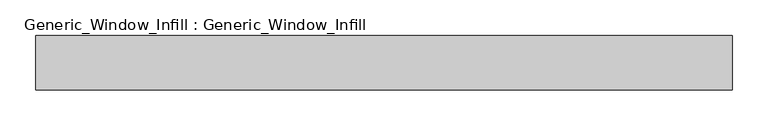
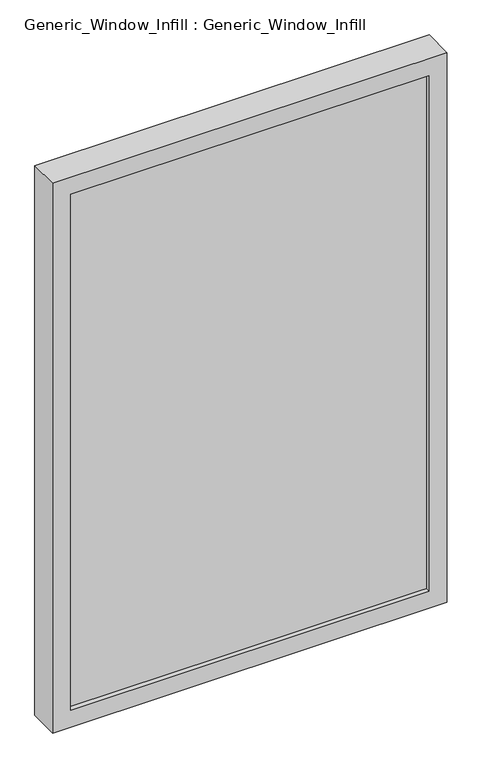
"""IFC4 building model written with IfcOpenShell, lengths in millimetres: plate geometry, Generic_Window_Infill : Generic_Window_Infill."""

from ifc_helpers import new_model, si_unit, frame, origin, place, context, project, spatial, polyline, outline, extrude, source, transform, mapped, element, save


def generic_window_infill_generic_window_infill_c940b031(model_context):
    return source(origin(), model_context, "Body", "SweptSolid", [
        extrude(outline(polyline([(442.9125, 12.0261239), (-442.9125, 12.0261239), (-442.9125, 42.4497356), (442.9125, 42.4497356), (442.9125, 12.0261239)])), frame((0.0, 0.0, 44.45), z_axis=(0.0, 0.0, 1.0), x_axis=(1.0, 0.0, 0.0)), (0.0, 0.0, 1.0), 1346.2),
        extrude(outline(polyline([(1435.1, 487.3625), (1435.1, -487.3625), (0.0, -487.3625), (0.0, 487.3625), (1435.1, 487.3625)]), holes=[polyline([(44.45, 442.9125), (44.45, -442.9125), (1390.65, -442.9125), (1390.65, 442.9125), (44.45, 442.9125)])]), frame((0.0, 0.0, 0.0), z_axis=(0.0, 1.0, 0.0), x_axis=(0.0, 0.0, 1.0)), (0.0, 0.0, 1.0), 76.2),
    ])


if __name__ == "__main__":
    model = new_model("IFC4")
    model_context = context("Model", 3, world=origin())
    ifc_project = project(units=[si_unit("LENGTHUNIT", "METRE", prefix="MILLI")], contexts=[model_context])
    site = spatial("IfcSite", under=ifc_project)
    building = spatial("IfcBuilding", under=site)
    placement = place(None, origin())
    generic_window_infill_generic_window_infill_shape = generic_window_infill_generic_window_infill_c940b031(model_context)
    element("IfcPlate", 1, ObjectType="Generic_Window_Infill : Generic_Window_Infill", at=placement, inside=building, context=model_context, shape_type="MappedRepresentation", body=[
        mapped(generic_window_infill_generic_window_infill_shape, transform((0.0, 0.0, 0.0), x_axis=(1.0, 0.0, 0.0), y_axis=(0.0, 1.0, 0.0), z_axis=(0.0, 0.0, 1.0))),
    ])
    save(model, "model.ifc")
